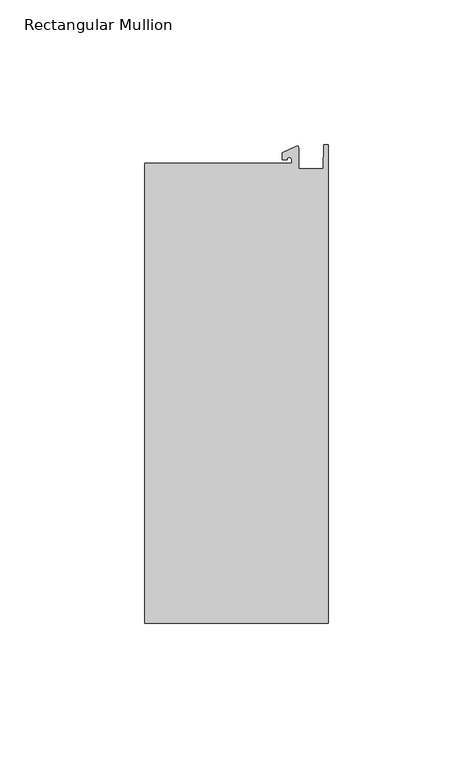
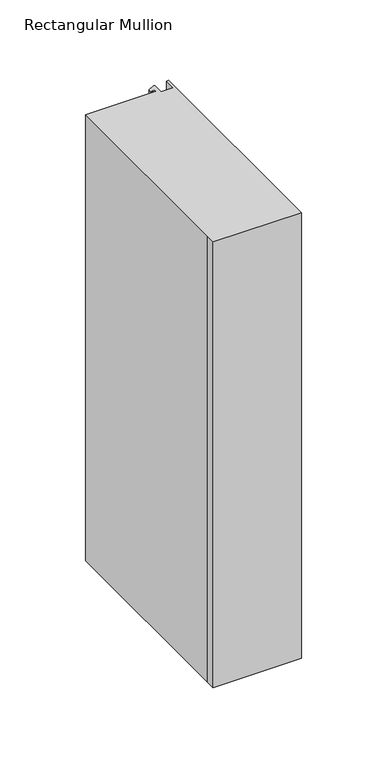
"""IFC4 building model written with IfcOpenShell, lengths in millimetres: member geometry, Rectangular Mullion."""

from ifc_helpers import new_model, si_unit, point, frame, frame_2d, origin, place, context, project, spatial, polyline, circle_curve, trimmed, segment, composite_curve, outline, extrude, source, transform, mapped, element, save


def rectangular_mullion_4aeea71d(model_context):
    return source(origin(), model_context, "Body", "SweptSolid", [
        extrude(outline(composite_curve([segment(polyline([(-12.6173814, 25.796875), (-12.6173814, 27.0827507)]), True, "CONTINUOUS"), segment(trimmed(circle_curve(frame_2d((-13.4111314, 27.0827507)), 0.79375), [point((-12.6173814, 27.0827507))], [point((-14.2048814, 27.0827507))], True, "CARTESIAN"), True, "CONTINUOUS"), segment(polyline([(-14.2048814, 27.0827507), (-15.7923814, 27.0827507), (-15.7923814, 29.44495), (-10.9524715, 31.7018371)]), True, "CONTINUOUS"), segment(trimmed(circle_curve(frame_2d((-10.7377814, 31.2414327)), 0.508), [point((-10.9524715, 31.7018371))], [point((-10.2297814, 31.2414327))], False, "CARTESIAN"), True, "CONTINUOUS"), segment(polyline([(-10.2297814, 31.2414327), (-10.2297814, 23.9227662), (-1.7144124, 23.9227662), (-1.5658966, 32.288874), (0.0, 32.288874), (0.0, -133.34365), (-63.5, -133.34365), (-63.5, -125.8081374), (-63.5, 25.796875), (-12.6173814, 25.796875)]), True, "CONTINUOUS")], self_intersect=False)), frame((0.0, 0.0, -338.6666667), z_axis=(0.0, 0.0, 1.0), x_axis=(1.0, 0.0, 0.0)), (0.0, 0.0, 1.0), 338.6666667),
    ])


if __name__ == "__main__":
    model = new_model("IFC4")
    model_context = context("Model", 3, world=origin())
    ifc_project = project(units=[si_unit("LENGTHUNIT", "METRE", prefix="MILLI")], contexts=[model_context])
    site = spatial("IfcSite", under=ifc_project)
    building = spatial("IfcBuilding", under=site)
    placement = place(None, origin())
    rectangular_mullion_shape = rectangular_mullion_4aeea71d(model_context)
    element("IfcMember", 1, ObjectType="Rectangular Mullion", at=placement, inside=building, context=model_context, shape_type="MappedRepresentation", body=[
        mapped(rectangular_mullion_shape, transform((0.0, 0.0, 0.0), x_axis=(1.0, 0.0, 0.0), y_axis=(0.0, 1.0, 0.0), z_axis=(0.0, 0.0, 1.0))),
    ])
    save(model, "model.ifc")
